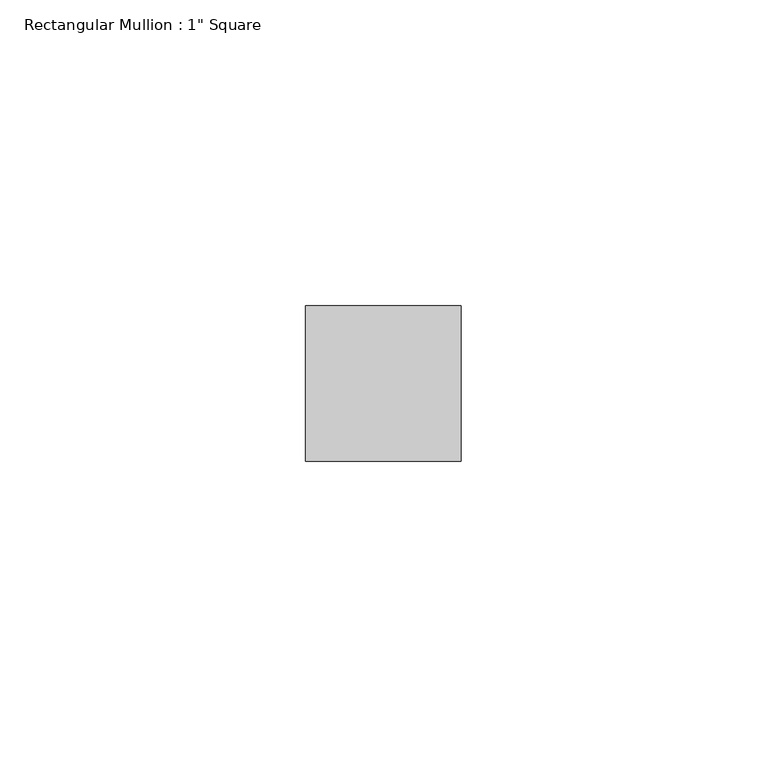
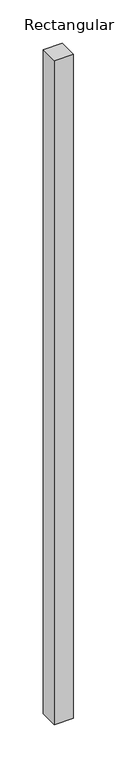
"""IFC4 building model written with IfcOpenShell, lengths in millimetres: member geometry."""

from ifc_helpers import new_model, si_unit, frame, origin, place, context, project, spatial, polyline, outline, extrude, source, transform, mapped, element, save


def member_e5b3c923(model_context):
    return source(origin(), model_context, "Body", "SweptSolid", [
        extrude(outline(polyline([(0.0, 12.7), (0.0, -12.7), (-25.4, -12.7), (-25.4, 12.7), (0.0, 12.7)])), frame((0.0, 0.0, -936.1811964), z_axis=(0.0, 0.0, 1.0), x_axis=(1.0, 0.0, 0.0)), (0.0, 0.0, 1.0), 936.1811964),
    ])


if __name__ == "__main__":
    model = new_model("IFC4")
    model_context = context("Model", 3, world=origin())
    ifc_project = project(units=[si_unit("LENGTHUNIT", "METRE", prefix="MILLI")], contexts=[model_context])
    site = spatial("IfcSite", under=ifc_project)
    building = spatial("IfcBuilding", under=site)
    placement = place(None, origin())
    member_shape = member_e5b3c923(model_context)
    element("IfcMember", 1, ObjectType="Rectangular Mullion : 1\" Square", at=placement, inside=building, context=model_context, shape_type="MappedRepresentation", body=[
        mapped(member_shape, transform((0.0, 0.0, 0.0), x_axis=(1.0, 0.0, 0.0), y_axis=(0.0, 1.0, 0.0), z_axis=(0.0, 0.0, 1.0))),
    ])
    save(model, "model.ifc")
